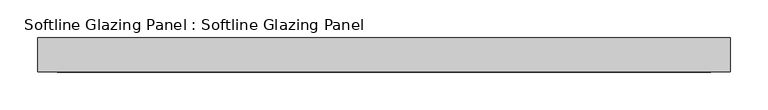
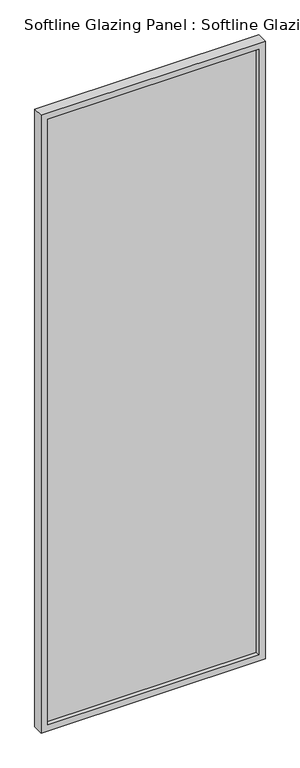
"""IFC4 building model written with IfcOpenShell, lengths in millimetres: plate geometry, Softline Glazing Panel : Softline Glazing Panel."""

from ifc_helpers import new_model, si_unit, frame, origin, place, context, project, spatial, polyline, outline, extrude, faceted_brep, source, transform, mapped, element, save


def softline_glazing_panel_softline_glazing_panel_8d2fae88(model_context):
    return source(origin(), model_context, "Body", "SolidModel", [
        extrude(outline(polyline([(442.5, 4.0), (442.5, -4.0), (-442.5, -4.0), (-442.5, 4.0), (442.5, 4.0)])), frame((0.0, 0.0, 16.0), z_axis=(0.0, 0.0, 1.0), x_axis=(1.0, 0.0, 0.0)), (0.0, 0.0, 1.0), 2638.0),
        faceted_brep([(432.5, 4.0, 26.0), (432.5, 22.5, 26.0), (-432.5, 22.5, 26.0), (-432.5, 4.0, 26.0), (442.5, -4.0, 16.0), (442.5, 4.0, 16.0), (-442.5, 4.0, 16.0), (-442.5, -4.0, 16.0), (432.5, -22.5, 26.0), (432.5, -4.0, 26.0), (-432.5, -4.0, 26.0), (-432.5, -22.5, 26.0), (458.5, 22.5, 0.0), (458.5, -22.5, 0.0), (-458.5, -22.5, 0.0), (-458.5, 22.5, 0.0), (-432.5, 22.5, 2644.0), (-432.5, 4.0, 2644.0), (-442.5, 4.0, 2654.0), (-442.5, -4.0, 2654.0), (-432.5, -4.0, 2644.0), (-432.5, -22.5, 2644.0), (-458.5, -22.5, 2670.0), (-458.5, 22.5, 2670.0), (432.5, 22.5, 2644.0), (432.5, 4.0, 2644.0), (442.5, 4.0, 2654.0), (442.5, -4.0, 2654.0), (432.5, -4.0, 2644.0), (432.5, -22.5, 2644.0), (458.5, -22.5, 2670.0), (458.5, 22.5, 2670.0)], [[[0, 1, 2, 3]], [[4, 5, 6, 7]], [[8, 9, 10, 11]], [[12, 13, 14, 15]], [[3, 2, 16, 17]], [[7, 6, 18, 19]], [[11, 10, 20, 21]], [[15, 14, 22, 23]], [[17, 16, 24, 25]], [[19, 18, 26, 27]], [[21, 20, 28, 29]], [[23, 22, 30, 31]], [[15, 23, 31, 12], [1, 24, 16, 2]], [[25, 24, 1, 0]], [[5, 26, 18, 6], [3, 17, 25, 0]], [[27, 26, 5, 4]], [[7, 19, 27, 4], [9, 28, 20, 10]], [[29, 28, 9, 8]], [[13, 30, 22, 14], [11, 21, 29, 8]], [[31, 30, 13, 12]]]),
    ])


if __name__ == "__main__":
    model = new_model("IFC4")
    model_context = context("Model", 3, world=origin())
    ifc_project = project(units=[si_unit("LENGTHUNIT", "METRE", prefix="MILLI")], contexts=[model_context])
    site = spatial("IfcSite", under=ifc_project)
    building = spatial("IfcBuilding", under=site)
    placement = place(None, origin())
    softline_glazing_panel_softline_glazing_panel_shape = softline_glazing_panel_softline_glazing_panel_8d2fae88(model_context)
    element("IfcPlate", 1, ObjectType="Softline Glazing Panel : Softline Glazing Panel", at=placement, inside=building, context=model_context, shape_type="MappedRepresentation", body=[
        mapped(softline_glazing_panel_softline_glazing_panel_shape, transform((0.0, 0.0, 0.0), x_axis=(1.0, 0.0, 0.0), y_axis=(0.0, 1.0, 0.0), z_axis=(0.0, 0.0, 1.0))),
    ])
    save(model, "model.ifc")
